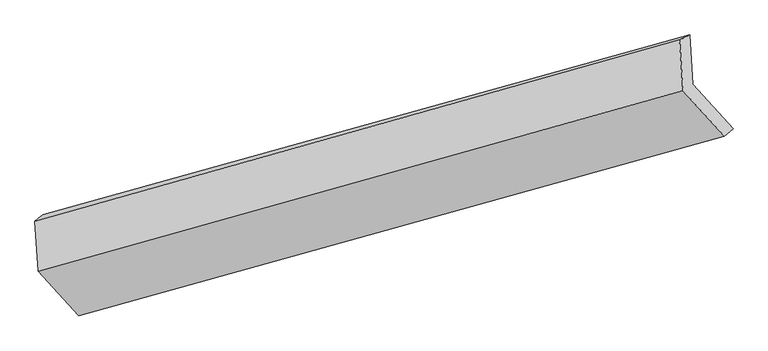
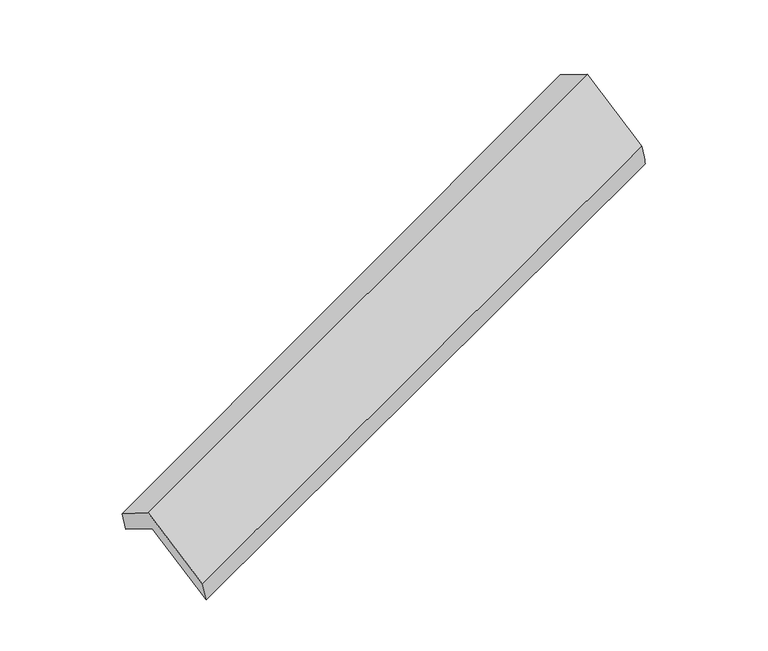
"""IFC4 building model written with IfcOpenShell, lengths in millimetres: proxy geometry."""

from ifc_helpers import new_model, si_unit, frame, origin, place, context, project, spatial, source, transform, mapped, element, save
from ifc_brep_helpers import plane_surface, spline_surface, advanced_brep


def generic_models_277c03e2(model_context):
    return source(origin(), model_context, "Body", "AdvancedBrep", [
        advanced_brep(
        [(-5093.4989817, -2108.6276427, 1297.847339), (-5116.3894322, -1766.2985378, 1092.6211089), (-758.6023001, -554.3185389, 2647.6962289), (-736.2844133, -888.0848926, 2847.7890914), (-5169.4464734, -1808.5957318, 1275.0837375), (-826.055066, -588.0333779, 2863.8698859), (-5146.9518342, -2145.0054374, 1476.761289), (-803.1646155, -930.3624828, 3069.0961161), (-4872.9786145, -2446.2183247, 943.7626152), (-524.3837176, -1236.8610495, 2526.7443891), (-4818.8027886, -2410.6353846, 763.4421634), (-465.6729251, -1185.6018096, 2321.3304672)],
        [
            (0, 1),
            (1, 2),
            (2, 3),
            (3, 0),
            (1, 4),
            (4, 5),
            (5, 2),
            (4, 6),
            (6, 7),
            (7, 5),
            (6, 8),
            (8, 9),
            (9, 7),
            (8, 10),
            (10, 11),
            (11, 9),
            (10, 0),
            (3, 11),
        ],
        [
            plane_surface(frame((-5104.9442069, -1937.4630903, 1195.2342239), z_axis=(0.40847048426356347, -0.4490824835007176, -0.794655136835041), x_axis=(-0.05725637375476357, 0.8562751172148104, -0.5133367620804276))),
            spline_surface(1, 1, [[(-5116.3894322, -1766.2985378, 1092.6211089), (-758.6023001, -554.3185389, 2647.6962289)], [(-5169.4464734, -1808.5957318, 1275.0837375), (-826.055066, -588.0333779, 2863.8698859)]], [2, 2], [2, 2], [0.0, 1.0], [0.0, 1.0]),
            plane_surface(frame((-5158.1991538, -1976.8005846, 1375.9225133), z_axis=(-0.415414541939536, 0.4471208867164288, 0.792157604903898), x_axis=(0.05725637375476343, -0.8562751172148103, 0.513336762080428))),
            plane_surface(frame((-5009.9652243, -2295.611881, 1210.2619521), z_axis=(0.052295082450477454, -0.8576519416405958, 0.5115646306691015), x_axis=(0.4084704842635674, -0.4490824835007177, -0.794655136835039))),
            spline_surface(1, 1, [[(-4872.9786145, -2446.2183247, 943.7626152), (-524.3837176, -1236.8610495, 2526.7443891)], [(-4818.8027886, -2410.6353846, 763.4421634), (-465.6729251, -1185.6018096, 2321.3304672)]], [2, 2], [2, 2], [0.0, 1.0], [0.0, 1.0]),
            plane_surface(frame((-4956.1508852, -2259.6315137, 1030.6447512), z_axis=(-0.05725637375476331, 0.8562751172148095, -0.5133367620804292), x_axis=(-0.40847048426357413, 0.4490824835007163, 0.7946551368350363))),
            plane_surface(frame((-685.6938396, -897.2103585, 2712.7543631), z_axis=(0.9109739684260673, 0.25518198731804825, 0.3240502772695531), x_axis=(0.2672281683753647, 0.233311665246188, -0.9349624446397826))),
            plane_surface(frame((-5036.3446874, -2114.2301765, 1141.5863755), z_axis=(-0.9109739684260685, -0.2551819873180834, -0.32405027726952185), x_axis=(0.4084704842635653, -0.4490824835007175, -0.7946551368350401))),
        ],
        [
            (0, [[1, 2, 3, 4]]),
            (1, [[5, 6, 7, -2]]),
            (2, [[8, 9, 10, -6]]),
            (3, [[11, 12, 13, -9]]),
            (4, [[14, 15, 16, -12]]),
            (5, [[17, -4, 18, -15]]),
            (6, [[-16, -18, -3, -7, -10, -13]]),
            (7, [[-17, -14, -11, -8, -5, -1]]),
        ],
    ),
    ])


if __name__ == "__main__":
    model = new_model("IFC4")
    model_context = context("Model", 3, world=origin())
    ifc_project = project(units=[si_unit("LENGTHUNIT", "METRE", prefix="MILLI")], contexts=[model_context])
    site = spatial("IfcSite", under=ifc_project)
    building = spatial("IfcBuilding", under=site)
    placement = place(None, origin())
    generic_models_shape = generic_models_277c03e2(model_context)
    element("IfcBuildingElementProxy", 1, Name="Generic Models", at=placement, inside=building, context=model_context, shape_type="MappedRepresentation", body=[
        mapped(generic_models_shape, transform((0.0, 0.0, 0.0), x_axis=(1.0, 0.0, 0.0), y_axis=(0.0, 1.0, 0.0), z_axis=(0.0, 0.0, 1.0))),
    ])
    save(model, "model.ifc")
